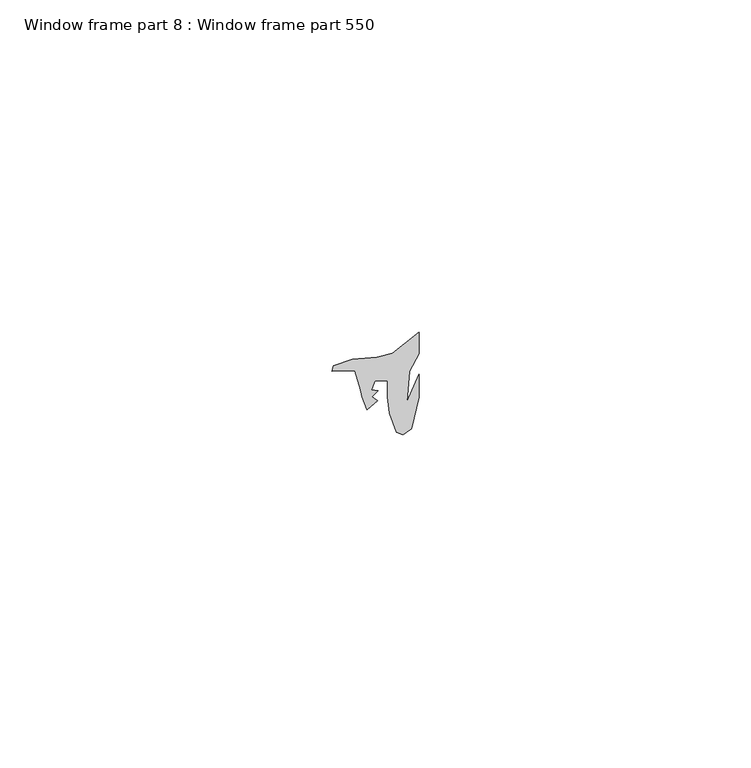
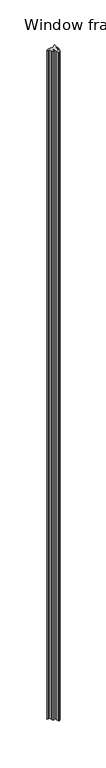
"""IFC4 building model written with IfcOpenShell, lengths in millimetres: proxy geometry, Window frame part 8 : Window frame part 550."""

from ifc_helpers import new_model, si_unit, frame, origin, place, context, project, spatial, polyline, outline, extrude, source, transform, mapped, element, save


def window_frame_part_8_window_frame_part_550_03aac224(model_context):
    return source(origin(), model_context, "Body", "SweptSolid", [
        extrude(outline(polyline([(37574.3666097, -20653.0767878), (37577.2302929, -20652.0492819), (37580.8846818, -20651.8037565), (37583.2676303, -20651.1652474), (37587.2461003, -20647.9800375), (37587.2059749, -20651.2626555), (37585.8126335, -20653.9134234), (37585.4472705, -20658.5022735), (37587.2059749, -20654.3573112), (37587.2059749, -20657.76715), (37586.1281904, -20662.558003), (37584.8250595, -20663.4566883), (37583.8392541, -20663.0483543), (37582.8297436, -20660.1994186), (37582.4746242, -20657.76715), (37582.4746242, -20655.3362986), (37580.6116165, -20655.3362986), (37580.0543204, -20656.698178), (37581.045069, -20656.8219852), (37580.178164, -20657.7505394), (37580.9831474, -20658.3076719), (37579.4139798, -20659.6447627), (37578.6301191, -20657.7505394), (37578.4443536, -20656.6362744), (37577.5774483, -20653.9125156), (37576.0294034, -20653.7887084), (37574.1103097, -20653.8644301), (37574.3666097, -20653.0767878)])), frame((0.0, 0.0, 910.5119968), z_axis=(0.0, 0.0, 1.0), x_axis=(1.0, 0.0, 0.0)), (0.0, 0.0, 1.0), 914.4),
    ])


if __name__ == "__main__":
    model = new_model("IFC4")
    model_context = context("Model", 3, world=origin())
    ifc_project = project(units=[si_unit("LENGTHUNIT", "METRE", prefix="MILLI")], contexts=[model_context])
    site = spatial("IfcSite", under=ifc_project)
    building = spatial("IfcBuilding", under=site)
    placement = place(None, origin())
    window_frame_part_8_window_frame_part_550_shape = window_frame_part_8_window_frame_part_550_03aac224(model_context)
    element("IfcBuildingElementProxy", 1, Name="Window frame part 8 : Window frame part 550", ObjectType="Window frame part 8 : Window frame part 550", at=placement, inside=building, context=model_context, shape_type="MappedRepresentation", body=[
        mapped(window_frame_part_8_window_frame_part_550_shape, transform((0.0, 0.0, 0.0), x_axis=(1.0, 0.0, 0.0), y_axis=(0.0, 1.0, 0.0), z_axis=(0.0, 0.0, 1.0))),
    ])
    save(model, "model.ifc")
